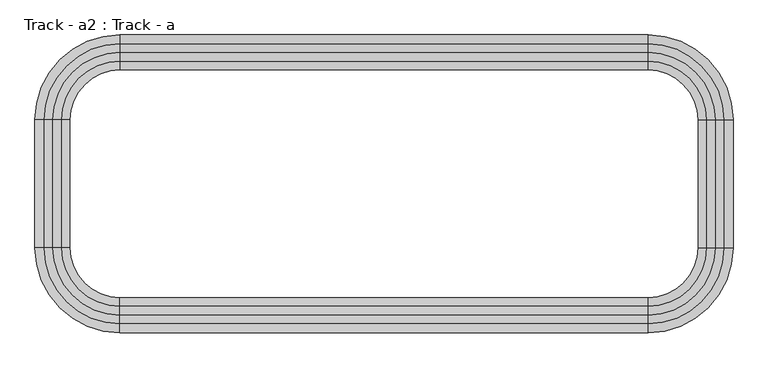
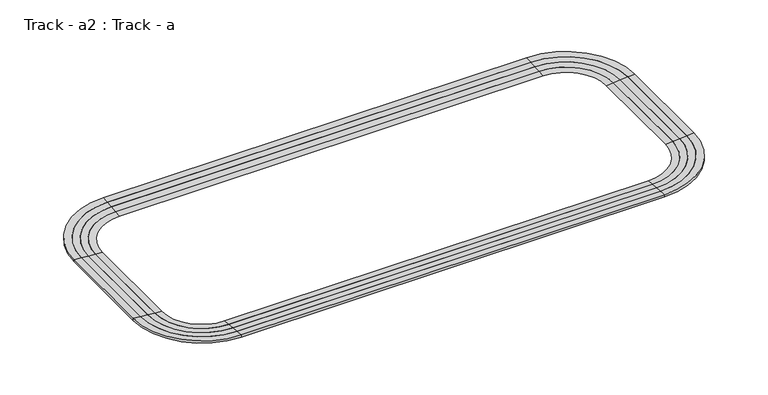
"""IFC4 building model written with IfcOpenShell, lengths in millimetres: proxy geometry, Track - a2 : Track - a."""

from ifc_helpers import new_model, si_unit, frame, origin, place, context, project, spatial, polyline, circle_curve, source, transform, mapped, element, save
from ifc_brep_helpers import plane_surface, cylinder_surface, revolved_surface, advanced_brep


def track_a2_track_a_1e66b670(model_context):
    return source(origin(), model_context, "Body", "AdvancedBrep", [
        advanced_brep(
        [(578200.6254676, -264541.8080223, 4775.2), (567837.4254676, -254178.6080223, 4775.2), (567837.4254676, -255245.4080223, 4686.3), (577133.8254676, -264541.8080223, 4686.3), (578200.6254676, -264541.8080223, 4419.6), (567837.4254676, -254178.6080223, 4419.6), (567837.4254676, -255245.4080223, 4419.6), (577133.8254676, -264541.8080223, 4419.6), (577133.8254676, -280086.6080223, 4686.3), (578200.6254676, -280086.6080223, 4775.2), (578200.6254676, -280086.6080223, 4419.6), (577133.8254676, -280086.6080223, 4419.6), (567837.4254676, -290449.8080223, 4775.2), (567837.4254676, -289383.0080223, 4686.3), (567837.4254676, -290449.8080223, 4419.6), (567837.4254676, -289383.0080223, 4419.6), (503524.6254676, -289383.0080223, 4686.3), (503524.6254676, -290449.8080223, 4775.2), (503524.6254676, -290449.8080223, 4419.6), (503524.6254676, -289383.0080223, 4419.6), (493161.4254676, -280086.6080223, 4775.2), (494228.2254676, -280086.6080223, 4686.3), (493161.4254676, -280086.6080223, 4419.6), (494228.2254676, -280086.6080223, 4419.6), (494228.2254676, -264541.8080223, 4686.3), (493161.4254676, -264541.8080223, 4775.2), (493161.4254676, -264541.8080223, 4419.6), (494228.2254676, -264541.8080223, 4419.6), (503524.6254676, -254178.6080223, 4775.2), (503524.6254676, -255245.4080223, 4686.3), (503524.6254676, -254178.6080223, 4419.6), (503524.6254676, -255245.4080223, 4419.6)],
        [
            (0, 1, circle_curve(frame((567837.4254676, -264541.8080223, 4775.2), z_axis=(0.0, 0.0, 1.0), x_axis=(0.0, 1.0, 0.0)), 10363.2)),
            (1, 2),
            (2, 3, circle_curve(frame((567837.4254676, -264541.8080223, 4686.3), z_axis=(0.0, 0.0, -1.0), x_axis=(0.0, 1.0, 0.0)), 9296.4)),
            (3, 0),
            (4, 5, circle_curve(frame((567837.4254676, -264541.8080223, 4419.6), z_axis=(0.0, 0.0, 1.0), x_axis=(0.0, 1.0, 0.0)), 10363.2)),
            (5, 1),
            (0, 4),
            (2, 6),
            (6, 7, circle_curve(frame((567837.4254676, -264541.8080223, 4419.6), z_axis=(0.0, 0.0, -1.0), x_axis=(0.0, 1.0, 0.0)), 9296.4)),
            (7, 3),
            (3, 8),
            (8, 9),
            (9, 0),
            (9, 10),
            (10, 4),
            (7, 11),
            (11, 8),
            (12, 9, circle_curve(frame((567837.4254676, -280086.6080223, 4775.2), z_axis=(0.0, 0.0, 1.0), x_axis=(1.0, 0.0, 0.0)), 10363.2)),
            (8, 13, circle_curve(frame((567837.4254676, -280086.6080223, 4686.3), z_axis=(0.0, 0.0, -1.0), x_axis=(1.0, 0.0, 0.0)), 9296.4)),
            (13, 12),
            (14, 10, circle_curve(frame((567837.4254676, -280086.6080223, 4419.6), z_axis=(0.0, 0.0, 1.0), x_axis=(1.0, 0.0, 0.0)), 10363.2)),
            (12, 14),
            (11, 15, circle_curve(frame((567837.4254676, -280086.6080223, 4419.6), z_axis=(0.0, 0.0, -1.0), x_axis=(1.0, 0.0, 0.0)), 9296.4)),
            (15, 13),
            (13, 16),
            (16, 17),
            (17, 12),
            (17, 18),
            (18, 14),
            (15, 19),
            (19, 16),
            (20, 17, circle_curve(frame((503524.6254676, -280086.6080223, 4775.2), z_axis=(0.0, 0.0, 1.0), x_axis=(0.0, -1.0, 0.0)), 10363.2)),
            (16, 21, circle_curve(frame((503524.6254676, -280086.6080223, 4686.3), z_axis=(0.0, 0.0, -1.0), x_axis=(0.0, -1.0, 0.0)), 9296.4)),
            (21, 20),
            (22, 18, circle_curve(frame((503524.6254676, -280086.6080223, 4419.6), z_axis=(0.0, 0.0, 1.0), x_axis=(0.0, -1.0, 0.0)), 10363.2)),
            (20, 22),
            (19, 23, circle_curve(frame((503524.6254676, -280086.6080223, 4419.6), z_axis=(0.0, 0.0, -1.0), x_axis=(0.0, -1.0, 0.0)), 9296.4)),
            (23, 21),
            (21, 24),
            (24, 25),
            (25, 20),
            (25, 26),
            (26, 22),
            (23, 27),
            (27, 24),
            (28, 25, circle_curve(frame((503524.6254676, -264541.8080223, 4775.2), z_axis=(0.0, 0.0, 1.0), x_axis=(-1.0, 0.0, 0.0)), 10363.2)),
            (24, 29, circle_curve(frame((503524.6254676, -264541.8080223, 4686.3), z_axis=(0.0, 0.0, -1.0), x_axis=(-1.0, 0.0, 0.0)), 9296.4)),
            (29, 28),
            (30, 26, circle_curve(frame((503524.6254676, -264541.8080223, 4419.6), z_axis=(0.0, 0.0, 1.0), x_axis=(-1.0, 0.0, 0.0)), 10363.2)),
            (28, 30),
            (27, 31, circle_curve(frame((503524.6254676, -264541.8080223, 4419.6), z_axis=(0.0, 0.0, -1.0), x_axis=(-1.0, 0.0, 0.0)), 9296.4)),
            (31, 29),
            (29, 2),
            (1, 28),
            (5, 30),
            (6, 31),
        ],
        [
            revolved_surface(polyline([(567837.4254676, -255245.4080223, 4686.3), (567837.4254676, -254178.6080223, 4775.2)]), (567837.4254676, -264541.8080223, 0.0), (0.0, 0.0, -1.0)),
            cylinder_surface(frame((567837.4254676, -264541.8080223, 0.0), z_axis=(0.0, 0.0, -1.0), x_axis=(0.0, 1.0, 0.0)), 10363.2),
            revolved_surface(polyline([(567837.4254676, -255245.40802230002, 4419.6), (567837.4254676, -255245.40802230002, 4686.3)]), (567837.4254676, -264541.8080223, 0.0), (0.0, 0.0, -1.0)),
            plane_surface(frame((577133.8254676, -264541.8080223, 4686.3), z_axis=(-0.08304547985373159, 0.0, 0.9965457582448803), x_axis=(0.0, -1.0, 0.0))),
            plane_surface(frame((578200.6254676, -264541.8080223, 4775.2), z_axis=(1.0, 0.0, 0.0), x_axis=(0.0, -1.0, 0.0))),
            plane_surface(frame((577133.8254676, -264541.8080223, 4419.6), z_axis=(-1.0, 0.0, 0.0), x_axis=(0.0, -1.0, 0.0))),
            revolved_surface(polyline([(577133.8254676, -280086.6080223, 4686.3), (578200.6254676, -280086.6080223, 4775.2)]), (567837.4254676, -280086.6080223, 0.0), (0.0, 0.0, -1.0)),
            cylinder_surface(frame((567837.4254676, -280086.6080223, 0.0), z_axis=(0.0, 0.0, -1.0), x_axis=(1.0, 0.0, 0.0)), 10363.2),
            revolved_surface(polyline([(577133.8254676, -280086.6080223, 4419.6), (577133.8254676, -280086.6080223, 4686.3)]), (567837.4254676, -280086.6080223, 0.0), (0.0, 0.0, -1.0)),
            plane_surface(frame((567837.4254676, -289383.0080223, 4686.3), z_axis=(0.0, 0.08304547985373159, 0.9965457582448803), x_axis=(-1.0, 0.0, 0.0))),
            plane_surface(frame((567837.4254676, -290449.8080223, 4775.2), z_axis=(0.0, -1.0, 0.0), x_axis=(-1.0, 0.0, 0.0))),
            plane_surface(frame((567837.4254676, -289383.0080223, 4419.6), z_axis=(0.0, 1.0, 0.0), x_axis=(-1.0, 0.0, 0.0))),
            revolved_surface(polyline([(503524.6254676, -289383.0080223, 4686.3), (503524.6254676, -290449.8080223, 4775.2)]), (503524.6254676, -280086.6080223, 0.0), (0.0, 0.0, -1.0)),
            cylinder_surface(frame((503524.6254676, -280086.6080223, 0.0), z_axis=(0.0, 0.0, -1.0), x_axis=(0.0, -1.0, 0.0)), 10363.2),
            revolved_surface(polyline([(503524.6254676, -289383.0080223, 4419.6), (503524.6254676, -289383.0080223, 4686.3)]), (503524.6254676, -280086.6080223, 0.0), (0.0, 0.0, -1.0)),
            plane_surface(frame((494228.2254676, -280086.6080223, 4686.3), z_axis=(0.08304547985373159, 0.0, 0.9965457582448803), x_axis=(0.0, 1.0, 0.0))),
            plane_surface(frame((493161.4254676, -280086.6080223, 4775.2), z_axis=(-1.0, 0.0, 0.0), x_axis=(0.0, 1.0, 0.0))),
            plane_surface(frame((494228.2254676, -280086.6080223, 4419.6), z_axis=(1.0, 0.0, 0.0), x_axis=(0.0, 1.0, 0.0))),
            revolved_surface(polyline([(494228.2254676, -264541.8080223, 4686.3), (493161.4254676, -264541.8080223, 4775.2)]), (503524.6254676, -264541.8080223, 0.0), (0.0, 0.0, -1.0)),
            cylinder_surface(frame((503524.6254676, -264541.8080223, 0.0), z_axis=(0.0, 0.0, -1.0), x_axis=(-1.0, 0.0, 0.0)), 10363.2),
            revolved_surface(polyline([(494228.2254676, -264541.8080223, 4419.6), (494228.2254676, -264541.8080223, 4686.3)]), (503524.6254676, -264541.8080223, 0.0), (0.0, 0.0, -1.0)),
            plane_surface(frame((503524.6254676, -255245.4080223, 4686.3), z_axis=(0.0, -0.08304547985373159, 0.9965457582448803), x_axis=(1.0, 0.0, 0.0))),
            plane_surface(frame((503524.6254676, -254178.6080223, 4775.2), z_axis=(0.0, 1.0, 0.0), x_axis=(1.0, 0.0, 0.0))),
            plane_surface(frame((503524.6254676, -254178.6080223, 4419.6), z_axis=(0.0, 0.0, -1.0), x_axis=(1.0, 0.0, 0.0))),
            plane_surface(frame((503524.6254676, -255245.4080223, 4419.6), z_axis=(0.0, -1.0, 0.0), x_axis=(1.0, 0.0, 0.0))),
        ],
        [
            (0, [[1, 2, 3, 4]]),
            (1, [[5, 6, -1, 7]]),
            (2, [[-3, 8, 9, 10]]),
            (3, [[-4, 11, 12, 13]]),
            (4, [[-7, -13, 14, 15]]),
            (5, [[-10, 16, 17, -11]]),
            (6, [[18, -12, 19, 20]]),
            (7, [[21, -14, -18, 22]]),
            (8, [[-19, -17, 23, 24]]),
            (9, [[-20, 25, 26, 27]]),
            (10, [[-22, -27, 28, 29]]),
            (11, [[-24, 30, 31, -25]]),
            (12, [[32, -26, 33, 34]]),
            (13, [[35, -28, -32, 36]]),
            (14, [[-33, -31, 37, 38]]),
            (15, [[-34, 39, 40, 41]]),
            (16, [[-36, -41, 42, 43]]),
            (17, [[-38, 44, 45, -39]]),
            (18, [[46, -40, 47, 48]]),
            (19, [[49, -42, -46, 50]]),
            (20, [[-47, -45, 51, 52]]),
            (21, [[-48, 53, -2, 54]]),
            (22, [[-50, -54, -6, 55]]),
            (23, [[-43, -49, -55, -5, -15, -21, -29, -35], [56, -51, -44, -37, -30, -23, -16, -9]]),
            (24, [[-52, -56, -8, -53]]),
        ],
    ),
        advanced_brep(
        [(577133.8254676, -264541.8080223, 4686.3), (567837.4254676, -255245.4080223, 4686.3), (567837.4254676, -256312.2080223, 4597.4), (576067.0254676, -264541.8080223, 4597.4), (577133.8254676, -264541.8080223, 4419.6), (567837.4254676, -255245.4080223, 4419.6), (567837.4254676, -256312.2080223, 4419.6), (576067.0254676, -264541.8080223, 4419.6), (576067.0254676, -280086.6080223, 4597.4), (577133.8254676, -280086.6080223, 4686.3), (577133.8254676, -280086.6080223, 4419.6), (576067.0254676, -280086.6080223, 4419.6), (567837.4254676, -289383.0080223, 4686.3), (567837.4254676, -288316.2080223, 4597.4), (567837.4254676, -289383.0080223, 4419.6), (567837.4254676, -288316.2080223, 4419.6), (503524.6254676, -288316.2080223, 4597.4), (503524.6254676, -289383.0080223, 4686.3), (503524.6254676, -289383.0080223, 4419.6), (503524.6254676, -288316.2080223, 4419.6), (494228.2254676, -280086.6080223, 4686.3), (495295.0254676, -280086.6080223, 4597.4), (494228.2254676, -280086.6080223, 4419.6), (495295.0254676, -280086.6080223, 4419.6), (495295.0254676, -264541.8080223, 4597.4), (494228.2254676, -264541.8080223, 4686.3), (494228.2254676, -264541.8080223, 4419.6), (495295.0254676, -264541.8080223, 4419.6), (503524.6254676, -255245.4080223, 4686.3), (503524.6254676, -256312.2080223, 4597.4), (503524.6254676, -255245.4080223, 4419.6), (503524.6254676, -256312.2080223, 4419.6)],
        [
            (0, 1, circle_curve(frame((567837.4254676, -264541.8080223, 4686.3), z_axis=(0.0, 0.0, 1.0), x_axis=(0.0, 1.0, 0.0)), 9296.4)),
            (1, 2),
            (2, 3, circle_curve(frame((567837.4254676, -264541.8080223, 4597.4), z_axis=(0.0, 0.0, -1.0), x_axis=(0.0, 1.0, 0.0)), 8229.6)),
            (3, 0),
            (4, 5, circle_curve(frame((567837.4254676, -264541.8080223, 4419.6), z_axis=(0.0, 0.0, 1.0), x_axis=(0.0, 1.0, 0.0)), 9296.4)),
            (5, 1),
            (0, 4),
            (2, 6),
            (6, 7, circle_curve(frame((567837.4254676, -264541.8080223, 4419.6), z_axis=(0.0, 0.0, -1.0), x_axis=(0.0, 1.0, 0.0)), 8229.6)),
            (7, 3),
            (3, 8),
            (8, 9),
            (9, 0),
            (9, 10),
            (10, 4),
            (7, 11),
            (11, 8),
            (12, 9, circle_curve(frame((567837.4254676, -280086.6080223, 4686.3), z_axis=(0.0, 0.0, 1.0), x_axis=(1.0, 0.0, 0.0)), 9296.4)),
            (8, 13, circle_curve(frame((567837.4254676, -280086.6080223, 4597.4), z_axis=(0.0, 0.0, -1.0), x_axis=(1.0, 0.0, 0.0)), 8229.6)),
            (13, 12),
            (14, 10, circle_curve(frame((567837.4254676, -280086.6080223, 4419.6), z_axis=(0.0, 0.0, 1.0), x_axis=(1.0, 0.0, 0.0)), 9296.4)),
            (12, 14),
            (11, 15, circle_curve(frame((567837.4254676, -280086.6080223, 4419.6), z_axis=(0.0, 0.0, -1.0), x_axis=(1.0, 0.0, 0.0)), 8229.6)),
            (15, 13),
            (13, 16),
            (16, 17),
            (17, 12),
            (17, 18),
            (18, 14),
            (15, 19),
            (19, 16),
            (20, 17, circle_curve(frame((503524.6254676, -280086.6080223, 4686.3), z_axis=(0.0, 0.0, 1.0), x_axis=(0.0, -1.0, 0.0)), 9296.4)),
            (16, 21, circle_curve(frame((503524.6254676, -280086.6080223, 4597.4), z_axis=(0.0, 0.0, -1.0), x_axis=(0.0, -1.0, 0.0)), 8229.6)),
            (21, 20),
            (22, 18, circle_curve(frame((503524.6254676, -280086.6080223, 4419.6), z_axis=(0.0, 0.0, 1.0), x_axis=(0.0, -1.0, 0.0)), 9296.4)),
            (20, 22),
            (19, 23, circle_curve(frame((503524.6254676, -280086.6080223, 4419.6), z_axis=(0.0, 0.0, -1.0), x_axis=(0.0, -1.0, 0.0)), 8229.6)),
            (23, 21),
            (21, 24),
            (24, 25),
            (25, 20),
            (25, 26),
            (26, 22),
            (23, 27),
            (27, 24),
            (28, 25, circle_curve(frame((503524.6254676, -264541.8080223, 4686.3), z_axis=(0.0, 0.0, 1.0), x_axis=(-1.0, 0.0, 0.0)), 9296.4)),
            (24, 29, circle_curve(frame((503524.6254676, -264541.8080223, 4597.4), z_axis=(0.0, 0.0, -1.0), x_axis=(-1.0, 0.0, 0.0)), 8229.6)),
            (29, 28),
            (30, 26, circle_curve(frame((503524.6254676, -264541.8080223, 4419.6), z_axis=(0.0, 0.0, 1.0), x_axis=(-1.0, 0.0, 0.0)), 9296.4)),
            (28, 30),
            (27, 31, circle_curve(frame((503524.6254676, -264541.8080223, 4419.6), z_axis=(0.0, 0.0, -1.0), x_axis=(-1.0, 0.0, 0.0)), 8229.6)),
            (31, 29),
            (29, 2),
            (1, 28),
            (5, 30),
            (6, 31),
        ],
        [
            revolved_surface(polyline([(567837.4254676, -256312.2080223, 4597.4), (567837.4254676, -255245.4080223, 4686.3)]), (567837.4254676, -264541.8080223, 0.0), (0.0, 0.0, -1.0)),
            cylinder_surface(frame((567837.4254676, -264541.8080223, 0.0), z_axis=(0.0, 0.0, -1.0), x_axis=(0.0, 1.0, 0.0)), 9296.4),
            revolved_surface(polyline([(567837.4254676, -256312.2080223, 4419.6), (567837.4254676, -256312.2080223, 4597.4)]), (567837.4254676, -264541.8080223, 0.0), (0.0, 0.0, -1.0)),
            plane_surface(frame((576067.0254676, -264541.8080223, 4597.4), z_axis=(-0.08304547985373473, 0.0, 0.9965457582448801), x_axis=(0.0, -1.0, 0.0))),
            plane_surface(frame((577133.8254676, -264541.8080223, 4686.3), z_axis=(1.0, 0.0, 0.0), x_axis=(0.0, -1.0, 0.0))),
            plane_surface(frame((576067.0254676, -264541.8080223, 4419.6), z_axis=(-1.0, 0.0, 0.0), x_axis=(0.0, -1.0, 0.0))),
            revolved_surface(polyline([(576067.0254676, -280086.6080223, 4597.4), (577133.8254676, -280086.6080223, 4686.3)]), (567837.4254676, -280086.6080223, 0.0), (0.0, 0.0, -1.0)),
            cylinder_surface(frame((567837.4254676, -280086.6080223, 0.0), z_axis=(0.0, 0.0, -1.0), x_axis=(1.0, 0.0, 0.0)), 9296.4),
            revolved_surface(polyline([(576067.0254676, -280086.6080223, 4419.6), (576067.0254676, -280086.6080223, 4597.4)]), (567837.4254676, -280086.6080223, 0.0), (0.0, 0.0, -1.0)),
            plane_surface(frame((567837.4254676, -288316.2080223, 4597.4), z_axis=(0.0, 0.08304547985373473, 0.9965457582448801), x_axis=(-1.0, 0.0, 0.0))),
            plane_surface(frame((567837.4254676, -289383.0080223, 4686.3), z_axis=(0.0, -1.0, 0.0), x_axis=(-1.0, 0.0, 0.0))),
            plane_surface(frame((567837.4254676, -288316.2080223, 4419.6), z_axis=(0.0, 1.0, 0.0), x_axis=(-1.0, 0.0, 0.0))),
            revolved_surface(polyline([(503524.6254676, -288316.2080223, 4597.4), (503524.6254676, -289383.0080223, 4686.3)]), (503524.6254676, -280086.6080223, 0.0), (0.0, 0.0, -1.0)),
            cylinder_surface(frame((503524.6254676, -280086.6080223, 0.0), z_axis=(0.0, 0.0, -1.0), x_axis=(0.0, -1.0, 0.0)), 9296.4),
            revolved_surface(polyline([(503524.6254676, -288316.2080223, 4419.6), (503524.6254676, -288316.2080223, 4597.4)]), (503524.6254676, -280086.6080223, 0.0), (0.0, 0.0, -1.0)),
            plane_surface(frame((495295.0254676, -280086.6080223, 4597.4), z_axis=(0.08304547985373473, 0.0, 0.9965457582448801), x_axis=(0.0, 1.0, 0.0))),
            plane_surface(frame((494228.2254676, -280086.6080223, 4686.3), z_axis=(-1.0, 0.0, 0.0), x_axis=(0.0, 1.0, 0.0))),
            plane_surface(frame((495295.0254676, -280086.6080223, 4419.6), z_axis=(1.0, 0.0, 0.0), x_axis=(0.0, 1.0, 0.0))),
            revolved_surface(polyline([(495295.0254676, -264541.8080223, 4597.4), (494228.2254676, -264541.8080223, 4686.3)]), (503524.6254676, -264541.8080223, 0.0), (0.0, 0.0, -1.0)),
            cylinder_surface(frame((503524.6254676, -264541.8080223, 0.0), z_axis=(0.0, 0.0, -1.0), x_axis=(-1.0, 0.0, 0.0)), 9296.4),
            revolved_surface(polyline([(495295.02546760003, -264541.8080223, 4419.6), (495295.02546760003, -264541.8080223, 4597.4)]), (503524.6254676, -264541.8080223, 0.0), (0.0, 0.0, -1.0)),
            plane_surface(frame((503524.6254676, -256312.2080223, 4597.4), z_axis=(0.0, -0.08304547985373473, 0.9965457582448801), x_axis=(1.0, 0.0, 0.0))),
            plane_surface(frame((503524.6254676, -255245.4080223, 4686.3), z_axis=(0.0, 1.0, 0.0), x_axis=(1.0, 0.0, 0.0))),
            plane_surface(frame((503524.6254676, -255245.4080223, 4419.6), z_axis=(0.0, 0.0, -1.0), x_axis=(1.0, 0.0, 0.0))),
            plane_surface(frame((503524.6254676, -256312.2080223, 4419.6), z_axis=(0.0, -1.0, 0.0), x_axis=(1.0, 0.0, 0.0))),
        ],
        [
            (0, [[1, 2, 3, 4]]),
            (1, [[5, 6, -1, 7]]),
            (2, [[-3, 8, 9, 10]]),
            (3, [[-4, 11, 12, 13]]),
            (4, [[-7, -13, 14, 15]]),
            (5, [[-10, 16, 17, -11]]),
            (6, [[18, -12, 19, 20]]),
            (7, [[21, -14, -18, 22]]),
            (8, [[-19, -17, 23, 24]]),
            (9, [[-20, 25, 26, 27]]),
            (10, [[-22, -27, 28, 29]]),
            (11, [[-24, 30, 31, -25]]),
            (12, [[32, -26, 33, 34]]),
            (13, [[35, -28, -32, 36]]),
            (14, [[-33, -31, 37, 38]]),
            (15, [[-34, 39, 40, 41]]),
            (16, [[-36, -41, 42, 43]]),
            (17, [[-38, 44, 45, -39]]),
            (18, [[46, -40, 47, 48]]),
            (19, [[49, -42, -46, 50]]),
            (20, [[-47, -45, 51, 52]]),
            (21, [[-48, 53, -2, 54]]),
            (22, [[-50, -54, -6, 55]]),
            (23, [[-43, -49, -55, -5, -15, -21, -29, -35], [56, -51, -44, -37, -30, -23, -16, -9]]),
            (24, [[-52, -56, -8, -53]]),
        ],
    ),
        advanced_brep(
        [(576067.0254676, -264541.8080223, 4597.4), (567837.4254676, -256312.2080223, 4597.4), (567837.4254676, -257379.0080223, 4508.5), (575000.2254676, -264541.8080223, 4508.5), (576067.0254676, -264541.8080223, 4419.6), (567837.4254676, -256312.2080223, 4419.6), (567837.4254676, -257379.0080223, 4419.6), (575000.2254676, -264541.8080223, 4419.6), (575000.2254676, -280086.6080223, 4508.5), (576067.0254676, -280086.6080223, 4597.4), (576067.0254676, -280086.6080223, 4419.6), (575000.2254676, -280086.6080223, 4419.6), (567837.4254676, -288316.2080223, 4597.4), (567837.4254676, -287249.4080223, 4508.5), (567837.4254676, -288316.2080223, 4419.6), (567837.4254676, -287249.4080223, 4419.6), (503524.6254676, -287249.4080223, 4508.5), (503524.6254676, -288316.2080223, 4597.4), (503524.6254676, -288316.2080223, 4419.6), (503524.6254676, -287249.4080223, 4419.6), (495295.0254676, -280086.6080223, 4597.4), (496361.8254676, -280086.6080223, 4508.5), (495295.0254676, -280086.6080223, 4419.6), (496361.8254676, -280086.6080223, 4419.6), (496361.8254676, -264541.8080223, 4508.5), (495295.0254676, -264541.8080223, 4597.4), (495295.0254676, -264541.8080223, 4419.6), (496361.8254676, -264541.8080223, 4419.6), (503524.6254676, -256312.2080223, 4597.4), (503524.6254676, -257379.0080223, 4508.5), (503524.6254676, -256312.2080223, 4419.6), (503524.6254676, -257379.0080223, 4419.6)],
        [
            (0, 1, circle_curve(frame((567837.4254676, -264541.8080223, 4597.4), z_axis=(0.0, 0.0, 1.0), x_axis=(0.0, 1.0, 0.0)), 8229.6)),
            (1, 2),
            (2, 3, circle_curve(frame((567837.4254676, -264541.8080223, 4508.5), z_axis=(0.0, 0.0, -1.0), x_axis=(0.0, 1.0, 0.0)), 7162.8)),
            (3, 0),
            (4, 5, circle_curve(frame((567837.4254676, -264541.8080223, 4419.6), z_axis=(0.0, 0.0, 1.0), x_axis=(0.0, 1.0, 0.0)), 8229.6)),
            (5, 1),
            (0, 4),
            (2, 6),
            (6, 7, circle_curve(frame((567837.4254676, -264541.8080223, 4419.6), z_axis=(0.0, 0.0, -1.0), x_axis=(0.0, 1.0, 0.0)), 7162.8)),
            (7, 3),
            (3, 8),
            (8, 9),
            (9, 0),
            (9, 10),
            (10, 4),
            (7, 11),
            (11, 8),
            (12, 9, circle_curve(frame((567837.4254676, -280086.6080223, 4597.4), z_axis=(0.0, 0.0, 1.0), x_axis=(1.0, 0.0, 0.0)), 8229.6)),
            (8, 13, circle_curve(frame((567837.4254676, -280086.6080223, 4508.5), z_axis=(0.0, 0.0, -1.0), x_axis=(1.0, 0.0, 0.0)), 7162.8)),
            (13, 12),
            (14, 10, circle_curve(frame((567837.4254676, -280086.6080223, 4419.6), z_axis=(0.0, 0.0, 1.0), x_axis=(1.0, 0.0, 0.0)), 8229.6)),
            (12, 14),
            (11, 15, circle_curve(frame((567837.4254676, -280086.6080223, 4419.6), z_axis=(0.0, 0.0, -1.0), x_axis=(1.0, 0.0, 0.0)), 7162.8)),
            (15, 13),
            (13, 16),
            (16, 17),
            (17, 12),
            (17, 18),
            (18, 14),
            (15, 19),
            (19, 16),
            (20, 17, circle_curve(frame((503524.6254676, -280086.6080223, 4597.4), z_axis=(0.0, 0.0, 1.0), x_axis=(0.0, -1.0, 0.0)), 8229.6)),
            (16, 21, circle_curve(frame((503524.6254676, -280086.6080223, 4508.5), z_axis=(0.0, 0.0, -1.0), x_axis=(0.0, -1.0, 0.0)), 7162.8)),
            (21, 20),
            (22, 18, circle_curve(frame((503524.6254676, -280086.6080223, 4419.6), z_axis=(0.0, 0.0, 1.0), x_axis=(0.0, -1.0, 0.0)), 8229.6)),
            (20, 22),
            (19, 23, circle_curve(frame((503524.6254676, -280086.6080223, 4419.6), z_axis=(0.0, 0.0, -1.0), x_axis=(0.0, -1.0, 0.0)), 7162.8)),
            (23, 21),
            (21, 24),
            (24, 25),
            (25, 20),
            (25, 26),
            (26, 22),
            (23, 27),
            (27, 24),
            (28, 25, circle_curve(frame((503524.6254676, -264541.8080223, 4597.4), z_axis=(0.0, 0.0, 1.0), x_axis=(-1.0, 0.0, 0.0)), 8229.6)),
            (24, 29, circle_curve(frame((503524.6254676, -264541.8080223, 4508.5), z_axis=(0.0, 0.0, -1.0), x_axis=(-1.0, 0.0, 0.0)), 7162.8)),
            (29, 28),
            (30, 26, circle_curve(frame((503524.6254676, -264541.8080223, 4419.6), z_axis=(0.0, 0.0, 1.0), x_axis=(-1.0, 0.0, 0.0)), 8229.6)),
            (28, 30),
            (27, 31, circle_curve(frame((503524.6254676, -264541.8080223, 4419.6), z_axis=(0.0, 0.0, -1.0), x_axis=(-1.0, 0.0, 0.0)), 7162.8)),
            (31, 29),
            (29, 2),
            (1, 28),
            (5, 30),
            (6, 31),
        ],
        [
            revolved_surface(polyline([(567837.4254676, -257379.0080223, 4508.5), (567837.4254676, -256312.2080223, 4597.4)]), (567837.4254676, -264541.8080223, 0.0), (0.0, 0.0, -1.0)),
            cylinder_surface(frame((567837.4254676, -264541.8080223, 0.0), z_axis=(0.0, 0.0, -1.0), x_axis=(0.0, 1.0, 0.0)), 8229.6),
            revolved_surface(polyline([(567837.4254676, -257379.00802230003, 4419.6), (567837.4254676, -257379.00802230003, 4508.5)]), (567837.4254676, -264541.8080223, 0.0), (0.0, 0.0, -1.0)),
            plane_surface(frame((575000.2254676, -264541.8080223, 4508.5), z_axis=(-0.0830454798537369, 0.0, 0.9965457582448799), x_axis=(0.0, -1.0, 0.0))),
            plane_surface(frame((576067.0254676, -264541.8080223, 4597.4), z_axis=(1.0, 0.0, 0.0), x_axis=(0.0, -1.0, 0.0))),
            plane_surface(frame((575000.2254676, -264541.8080223, 4419.6), z_axis=(-1.0, 0.0, 0.0), x_axis=(0.0, -1.0, 0.0))),
            revolved_surface(polyline([(575000.2254676, -280086.6080223, 4508.5), (576067.0254676, -280086.6080223, 4597.4)]), (567837.4254676, -280086.6080223, 0.0), (0.0, 0.0, -1.0)),
            cylinder_surface(frame((567837.4254676, -280086.6080223, 0.0), z_axis=(0.0, 0.0, -1.0), x_axis=(1.0, 0.0, 0.0)), 8229.6),
            revolved_surface(polyline([(575000.2254676, -280086.6080223, 4419.6), (575000.2254676, -280086.6080223, 4508.5)]), (567837.4254676, -280086.6080223, 0.0), (0.0, 0.0, -1.0)),
            plane_surface(frame((567837.4254676, -287249.4080223, 4508.5), z_axis=(0.0, 0.0830454798537369, 0.9965457582448799), x_axis=(-1.0, 0.0, 0.0))),
            plane_surface(frame((567837.4254676, -288316.2080223, 4597.4), z_axis=(0.0, -1.0, 0.0), x_axis=(-1.0, 0.0, 0.0))),
            plane_surface(frame((567837.4254676, -287249.4080223, 4419.6), z_axis=(0.0, 1.0, 0.0), x_axis=(-1.0, 0.0, 0.0))),
            revolved_surface(polyline([(503524.6254676, -287249.4080223, 4508.5), (503524.6254676, -288316.2080223, 4597.4)]), (503524.6254676, -280086.6080223, 0.0), (0.0, 0.0, -1.0)),
            cylinder_surface(frame((503524.6254676, -280086.6080223, 0.0), z_axis=(0.0, 0.0, -1.0), x_axis=(0.0, -1.0, 0.0)), 8229.6),
            revolved_surface(polyline([(503524.6254676, -287249.4080223, 4419.6), (503524.6254676, -287249.4080223, 4508.5)]), (503524.6254676, -280086.6080223, 0.0), (0.0, 0.0, -1.0)),
            plane_surface(frame((496361.8254676, -280086.6080223, 4508.5), z_axis=(0.0830454798537369, 0.0, 0.9965457582448799), x_axis=(0.0, 1.0, 0.0))),
            plane_surface(frame((495295.0254676, -280086.6080223, 4597.4), z_axis=(-1.0, 0.0, 0.0), x_axis=(0.0, 1.0, 0.0))),
            plane_surface(frame((496361.8254676, -280086.6080223, 4419.6), z_axis=(1.0, 0.0, 0.0), x_axis=(0.0, 1.0, 0.0))),
            revolved_surface(polyline([(496361.8254676, -264541.8080223, 4508.5), (495295.0254676, -264541.8080223, 4597.4)]), (503524.6254676, -264541.8080223, 0.0), (0.0, 0.0, -1.0)),
            cylinder_surface(frame((503524.6254676, -264541.8080223, 0.0), z_axis=(0.0, 0.0, -1.0), x_axis=(-1.0, 0.0, 0.0)), 8229.6),
            revolved_surface(polyline([(496361.8254676, -264541.8080223, 4419.6), (496361.8254676, -264541.8080223, 4508.5)]), (503524.6254676, -264541.8080223, 0.0), (0.0, 0.0, -1.0)),
            plane_surface(frame((503524.6254676, -257379.0080223, 4508.5), z_axis=(0.0, -0.0830454798537369, 0.9965457582448799), x_axis=(1.0, 0.0, 0.0))),
            plane_surface(frame((503524.6254676, -256312.2080223, 4597.4), z_axis=(0.0, 1.0, 0.0), x_axis=(1.0, 0.0, 0.0))),
            plane_surface(frame((503524.6254676, -256312.2080223, 4419.6), z_axis=(0.0, 0.0, -1.0), x_axis=(1.0, 0.0, 0.0))),
            plane_surface(frame((503524.6254676, -257379.0080223, 4419.6), z_axis=(0.0, -1.0, 0.0), x_axis=(1.0, 0.0, 0.0))),
        ],
        [
            (0, [[1, 2, 3, 4]]),
            (1, [[5, 6, -1, 7]]),
            (2, [[-3, 8, 9, 10]]),
            (3, [[-4, 11, 12, 13]]),
            (4, [[-7, -13, 14, 15]]),
            (5, [[-10, 16, 17, -11]]),
            (6, [[18, -12, 19, 20]]),
            (7, [[21, -14, -18, 22]]),
            (8, [[-19, -17, 23, 24]]),
            (9, [[-20, 25, 26, 27]]),
            (10, [[-22, -27, 28, 29]]),
            (11, [[-24, 30, 31, -25]]),
            (12, [[32, -26, 33, 34]]),
            (13, [[35, -28, -32, 36]]),
            (14, [[-33, -31, 37, 38]]),
            (15, [[-34, 39, 40, 41]]),
            (16, [[-36, -41, 42, 43]]),
            (17, [[-38, 44, 45, -39]]),
            (18, [[46, -40, 47, 48]]),
            (19, [[49, -42, -46, 50]]),
            (20, [[-47, -45, 51, 52]]),
            (21, [[-48, 53, -2, 54]]),
            (22, [[-50, -54, -6, 55]]),
            (23, [[-43, -49, -55, -5, -15, -21, -29, -35], [56, -51, -44, -37, -30, -23, -16, -9]]),
            (24, [[-52, -56, -8, -53]]),
        ],
    ),
        advanced_brep(
        [(575000.2254676, -264541.8080223, 4508.5), (567837.4254676, -257379.0080223, 4508.5), (567837.4254676, -258445.8080223, 4419.6), (573933.4254676, -264541.8080223, 4419.6), (575000.2254676, -264541.8080223, 4419.6), (567837.4254676, -257379.0080223, 4419.6), (573933.4254676, -280086.6080223, 4419.6), (575000.2254676, -280086.6080223, 4508.5), (575000.2254676, -280086.6080223, 4419.6), (567837.4254676, -287249.4080223, 4508.5), (567837.4254676, -286182.6080223, 4419.6), (567837.4254676, -287249.4080223, 4419.6), (503524.6254676, -286182.6080223, 4419.6), (503524.6254676, -287249.4080223, 4508.5), (503524.6254676, -287249.4080223, 4419.6), (496361.8254676, -280086.6080223, 4508.5), (497428.6254676, -280086.6080223, 4419.6), (496361.8254676, -280086.6080223, 4419.6), (497428.6254676, -264541.8080223, 4419.6), (496361.8254676, -264541.8080223, 4508.5), (496361.8254676, -264541.8080223, 4419.6), (503524.6254676, -257379.0080223, 4508.5), (503524.6254676, -258445.8080223, 4419.6), (503524.6254676, -257379.0080223, 4419.6)],
        [
            (0, 1, circle_curve(frame((567837.4254676, -264541.8080223, 4508.5), z_axis=(0.0, 0.0, 1.0), x_axis=(0.0, 1.0, 0.0)), 7162.8)),
            (1, 2),
            (2, 3, circle_curve(frame((567837.4254676, -264541.8080223, 4419.6), z_axis=(0.0, 0.0, -1.0), x_axis=(0.0, 1.0, 0.0)), 6096.0)),
            (3, 0),
            (4, 5, circle_curve(frame((567837.4254676, -264541.8080223, 4419.6), z_axis=(0.0, 0.0, 1.0), x_axis=(0.0, 1.0, 0.0)), 7162.8)),
            (5, 1),
            (0, 4),
            (3, 6),
            (6, 7),
            (7, 0),
            (7, 8),
            (8, 4),
            (9, 7, circle_curve(frame((567837.4254676, -280086.6080223, 4508.5), z_axis=(0.0, 0.0, 1.0), x_axis=(1.0, 0.0, 0.0)), 7162.8)),
            (6, 10, circle_curve(frame((567837.4254676, -280086.6080223, 4419.6), z_axis=(0.0, 0.0, -1.0), x_axis=(1.0, 0.0, 0.0)), 6096.0)),
            (10, 9),
            (11, 8, circle_curve(frame((567837.4254676, -280086.6080223, 4419.6), z_axis=(0.0, 0.0, 1.0), x_axis=(1.0, 0.0, 0.0)), 7162.8)),
            (9, 11),
            (10, 12),
            (12, 13),
            (13, 9),
            (13, 14),
            (14, 11),
            (15, 13, circle_curve(frame((503524.6254676, -280086.6080223, 4508.5), z_axis=(0.0, 0.0, 1.0), x_axis=(0.0, -1.0, 0.0)), 7162.8)),
            (12, 16, circle_curve(frame((503524.6254676, -280086.6080223, 4419.6), z_axis=(0.0, 0.0, -1.0), x_axis=(0.0, -1.0, 0.0)), 6096.0)),
            (16, 15),
            (17, 14, circle_curve(frame((503524.6254676, -280086.6080223, 4419.6), z_axis=(0.0, 0.0, 1.0), x_axis=(0.0, -1.0, 0.0)), 7162.8)),
            (15, 17),
            (16, 18),
            (18, 19),
            (19, 15),
            (19, 20),
            (20, 17),
            (21, 19, circle_curve(frame((503524.6254676, -264541.8080223, 4508.5), z_axis=(0.0, 0.0, 1.0), x_axis=(-1.0, 0.0, 0.0)), 7162.8)),
            (18, 22, circle_curve(frame((503524.6254676, -264541.8080223, 4419.6), z_axis=(0.0, 0.0, -1.0), x_axis=(-1.0, 0.0, 0.0)), 6096.0)),
            (22, 21),
            (23, 20, circle_curve(frame((503524.6254676, -264541.8080223, 4419.6), z_axis=(0.0, 0.0, 1.0), x_axis=(-1.0, 0.0, 0.0)), 7162.8)),
            (21, 23),
            (23, 5),
            (2, 22),
            (1, 21),
        ],
        [
            revolved_surface(polyline([(567837.4254676, -258445.8080223, 4419.6), (567837.4254676, -257379.0080223, 4508.5)]), (567837.4254676, -264541.8080223, 0.0), (0.0, 0.0, -1.0)),
            cylinder_surface(frame((567837.4254676, -264541.8080223, 0.0), z_axis=(0.0, 0.0, -1.0), x_axis=(0.0, 1.0, 0.0)), 7162.8),
            plane_surface(frame((573933.4254676, -264541.8080223, 4419.6), z_axis=(-0.08304547985373992, 0.0, 0.9965457582448797), x_axis=(0.0, -1.0, 0.0))),
            plane_surface(frame((575000.2254676, -264541.8080223, 4508.5), z_axis=(1.0, 0.0, 0.0), x_axis=(0.0, -1.0, 0.0))),
            revolved_surface(polyline([(573933.4254676, -280086.6080223, 4419.6), (575000.2254676, -280086.6080223, 4508.5)]), (567837.4254676, -280086.6080223, 0.0), (0.0, 0.0, -1.0)),
            cylinder_surface(frame((567837.4254676, -280086.6080223, 0.0), z_axis=(0.0, 0.0, -1.0), x_axis=(1.0, 0.0, 0.0)), 7162.8),
            plane_surface(frame((567837.4254676, -286182.6080223, 4419.6), z_axis=(0.0, 0.08304547985373992, 0.9965457582448797), x_axis=(-1.0, 0.0, 0.0))),
            plane_surface(frame((567837.4254676, -287249.4080223, 4508.5), z_axis=(0.0, -1.0, 0.0), x_axis=(-1.0, 0.0, 0.0))),
            revolved_surface(polyline([(503524.6254676, -286182.6080223, 4419.6), (503524.6254676, -287249.4080223, 4508.5)]), (503524.6254676, -280086.6080223, 0.0), (0.0, 0.0, -1.0)),
            cylinder_surface(frame((503524.6254676, -280086.6080223, 0.0), z_axis=(0.0, 0.0, -1.0), x_axis=(0.0, -1.0, 0.0)), 7162.8),
            plane_surface(frame((497428.6254676, -280086.6080223, 4419.6), z_axis=(0.08304547985373992, 0.0, 0.9965457582448797), x_axis=(0.0, 1.0, 0.0))),
            plane_surface(frame((496361.8254676, -280086.6080223, 4508.5), z_axis=(-1.0, 0.0, 0.0), x_axis=(0.0, 1.0, 0.0))),
            revolved_surface(polyline([(497428.6254676, -264541.8080223, 4419.6), (496361.8254676, -264541.8080223, 4508.5)]), (503524.6254676, -264541.8080223, 0.0), (0.0, 0.0, -1.0)),
            cylinder_surface(frame((503524.6254676, -264541.8080223, 0.0), z_axis=(0.0, 0.0, -1.0), x_axis=(-1.0, 0.0, 0.0)), 7162.8),
            plane_surface(frame((503524.6254676, -257379.0080223, 4419.6), z_axis=(0.0, 0.0, -1.0), x_axis=(1.0, 0.0, 0.0))),
            plane_surface(frame((503524.6254676, -258445.8080223, 4419.6), z_axis=(0.0, -0.08304547985373992, 0.9965457582448797), x_axis=(1.0, 0.0, 0.0))),
            plane_surface(frame((503524.6254676, -257379.0080223, 4508.5), z_axis=(0.0, 1.0, 0.0), x_axis=(1.0, 0.0, 0.0))),
        ],
        [
            (0, [[1, 2, 3, 4]]),
            (1, [[5, 6, -1, 7]]),
            (2, [[-4, 8, 9, 10]]),
            (3, [[-7, -10, 11, 12]]),
            (4, [[13, -9, 14, 15]]),
            (5, [[16, -11, -13, 17]]),
            (6, [[-15, 18, 19, 20]]),
            (7, [[-17, -20, 21, 22]]),
            (8, [[23, -19, 24, 25]]),
            (9, [[26, -21, -23, 27]]),
            (10, [[-25, 28, 29, 30]]),
            (11, [[-27, -30, 31, 32]]),
            (12, [[33, -29, 34, 35]]),
            (13, [[36, -31, -33, 37]]),
            (14, [[-32, -36, 38, -5, -12, -16, -22, -26], [39, -34, -28, -24, -18, -14, -8, -3]]),
            (15, [[-35, -39, -2, 40]]),
            (16, [[-37, -40, -6, -38]]),
        ],
    ),
    ])


if __name__ == "__main__":
    model = new_model("IFC4")
    model_context = context("Model", 3, world=origin())
    ifc_project = project(units=[si_unit("LENGTHUNIT", "METRE", prefix="MILLI")], contexts=[model_context])
    site = spatial("IfcSite", under=ifc_project)
    building = spatial("IfcBuilding", under=site)
    placement = place(None, origin())
    track_a2_track_a_shape = track_a2_track_a_1e66b670(model_context)
    element("IfcBuildingElementProxy", 1, Name="Track - a2 : Track - a", ObjectType="Track - a2 : Track - a", at=placement, inside=building, context=model_context, shape_type="MappedRepresentation", body=[
        mapped(track_a2_track_a_shape, transform((0.0, 0.0, 0.0), x_axis=(1.0, 0.0, 0.0), y_axis=(0.0, 1.0, 0.0), z_axis=(0.0, 0.0, 1.0))),
    ])
    save(model, "model.ifc")
